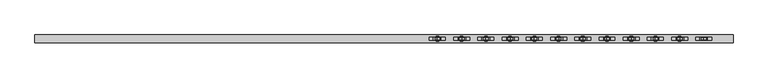
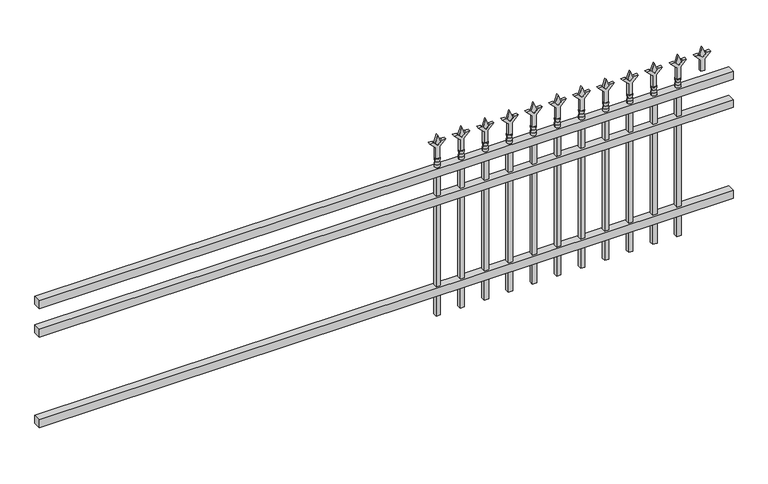
"""IFC4 building model written with IfcOpenShell, lengths in millimetres: railing geometry."""

from ifc_helpers import new_model, si_unit, frame, origin, place, context, project, spatial, polyline, circle_curve, outline, extrude, source, transform, mapped, element, save
from ifc_brep_helpers import plane_surface, cylinder_surface, revolved_surface, advanced_brep


def railing_c02a9c81(model_context):
    return source(origin(), model_context, "Body", "SolidModel", [
        extrude(outline(polyline([(-5522.8050134, 7020.1574518), (-5522.8050134, 7055.0824518), (-2373.2050134, 7055.0824518), (-2373.2050134, 7020.1574518), (-5522.8050134, 7020.1574518)])), frame((0.0, 0.0, 12915.9), z_axis=(0.0, 0.0, 1.0), x_axis=(1.0, 0.0, 0.0)), (0.0, 0.0, 1.0), 38.1),
        extrude(outline(polyline([(-5522.8050134, 7020.1574518), (-5522.8050134, 7055.0824518), (-2373.2050134, 7055.0824518), (-2373.2050134, 7020.1574518), (-5522.8050134, 7020.1574518)])), frame((0.0, 0.0, 12779.375), z_axis=(0.0, 0.0, 1.0), x_axis=(1.0, 0.0, 0.0)), (0.0, 0.0, 1.0), 38.1),
        extrude(outline(polyline([(-5522.8050134, 7020.1574518), (-5522.8050134, 7055.0824518), (-2373.2050134, 7055.0824518), (-2373.2050134, 7020.1574518), (-5522.8050134, 7020.1574518)])), frame((0.0, 0.0, 12344.4), z_axis=(0.0, 0.0, 1.0), x_axis=(1.0, 0.0, 0.0)), (0.0, 0.0, 1.0), 38.1),
        extrude(outline(polyline([(13070.68125, -2602.33418), (13106.4, -2614.24043), (13070.68125, -2626.14668), (13058.775, -2614.24043), (13070.68125, -2602.33418)])), frame((0.0, 7032.8574518, 0.0), z_axis=(0.0, 1.0, 0.0), x_axis=(0.0, 0.0, 1.0)), (0.0, 0.0, 1.0), 9.525),
        extrude(outline(polyline([(12995.275, -2605.50918), (13049.5457378, -2605.50918), (13076.7355122, -2578.3194056), (13076.7355122, -2596.2799178), (13058.775, -2614.24043), (13076.7355122, -2632.2009423), (13076.7355122, -2650.1614545), (13049.5457378, -2622.97168), (12995.275, -2622.97168), (12995.275, -2605.50918)])), frame((0.0, 7031.2699518, 0.0), z_axis=(0.0, 1.0, 0.0), x_axis=(0.0, 0.0, 1.0)), (0.0, 0.0, 1.0), 12.7),
        advanced_brep(
        [(-2602.33418, 7037.6199518, 12966.7), (-2626.14668, 7037.6199518, 12966.7), (-2626.14668, 7037.6199518, 12954.0), (-2602.33418, 7037.6199518, 12954.0), (-2604.5395119, 7037.6199518, 12979.2070585), (-2623.9413482, 7037.6199518, 12979.2070585), (-2602.33418, 7037.6199518, 12995.275), (-2626.14668, 7037.6199518, 12995.275), (-2614.24043, 7037.6199518, 12995.275), (-2614.24043, 7037.6199518, 12954.0)],
        [
            (0, 1, circle_curve(frame((-2614.24043, 7037.6199518, 12966.7), z_axis=(0.0, 0.0, -1.0), x_axis=(-1.0, 0.0, 0.0)), 11.90625)),
            (1, 2),
            (2, 3, circle_curve(frame((-2614.24043, 7037.6199518, 12954.0), z_axis=(0.0, 0.0, 1.0), x_axis=(-1.0, 0.0, 0.0)), 11.90625)),
            (3, 0),
            (1, 0, circle_curve(frame((-2614.24043, 7037.6199518, 12966.7), z_axis=(0.0, 0.0, -1.0), x_axis=(-1.0, 0.0, 0.0)), 11.90625)),
            (3, 2, circle_curve(frame((-2614.24043, 7037.6199518, 12954.0), z_axis=(0.0, 0.0, 1.0), x_axis=(-1.0, 0.0, 0.0)), 11.90625)),
            (4, 5, circle_curve(frame((-2614.24043, 7037.6199518, 12979.2070585), z_axis=(0.0, 0.0, -1.0), x_axis=(-1.0, 0.0, 0.0)), 9.7009181)),
            (5, 1),
            (0, 4),
            (5, 4, circle_curve(frame((-2614.24043, 7037.6199518, 12979.2070585), z_axis=(0.0, 0.0, -1.0), x_axis=(-1.0, 0.0, 0.0)), 9.7009181)),
            (6, 7, circle_curve(frame((-2614.24043, 7037.6199518, 12995.275), z_axis=(0.0, 0.0, -1.0), x_axis=(-1.0, 0.0, 0.0)), 11.90625)),
            (7, 5),
            (4, 6),
            (7, 6, circle_curve(frame((-2614.24043, 7037.6199518, 12995.275), z_axis=(0.0, 0.0, -1.0), x_axis=(-1.0, 0.0, 0.0)), 11.90625)),
            (8, 7),
            (6, 8),
            (2, 9),
            (9, 3),
        ],
        [
            cylinder_surface(frame((-2614.24043, 7037.6199518, 12954.0), z_axis=(0.0, 0.0, 1.0), x_axis=(-1.0, 0.0, 0.0)), 11.90625),
            revolved_surface(polyline([(-2626.14668, 7037.6199518, 12966.7), (-2623.9413482, 7037.6199518, 12979.2070585)]), (-2614.24043, 7037.6199518, 12954.0), (0.0, 0.0, 1.0)),
            revolved_surface(polyline([(-2623.9413482, 7037.6199518, 12979.2070585), (-2626.14668, 7037.6199518, 12995.275)]), (-2614.24043, 7037.6199518, 12954.0), (0.0, 0.0, 1.0)),
            plane_surface(frame((-2614.24043, 7037.6199518, 12995.275), z_axis=(0.0, 0.0, 1.0), x_axis=(-1.0, 0.0, 0.0))),
            plane_surface(frame((-2614.24043, 7037.6199518, 12954.0), z_axis=(0.0, 0.0, -1.0), x_axis=(-1.0, 0.0, 0.0))),
        ],
        [
            (0, [[1, 2, 3, 4]]),
            (0, [[5, -4, 6, -2]]),
            (1, [[7, 8, -1, 9]]),
            (1, [[10, -9, -5, -8]]),
            (2, [[11, 12, -7, 13]]),
            (2, [[14, -13, -10, -12]]),
            (3, [[15, -11, 16]]),
            (3, [[-16, -14, -15]]),
            (4, [[-3, 17, 18]]),
            (4, [[-6, -18, -17]]),
        ],
    ),
        extrude(outline(polyline([(-2623.76543, 7047.1449518), (-2604.71543, 7047.1449518), (-2604.71543, 7028.0949518), (-2623.76543, 7028.0949518), (-2623.76543, 7047.1449518)])), frame((0.0, 0.0, 12242.8), z_axis=(0.0, 0.0, 1.0), x_axis=(1.0, 0.0, 0.0)), (0.0, 0.0, 1.0), 711.2),
        extrude(outline(polyline([(13070.68125, -2711.6070967), (13106.4, -2723.5133467), (13070.68125, -2735.4195967), (13058.775, -2723.5133467), (13070.68125, -2711.6070967)])), frame((0.0, 7032.8574518, 0.0), z_axis=(0.0, 1.0, 0.0), x_axis=(0.0, 0.0, 1.0)), (0.0, 0.0, 1.0), 9.525),
        extrude(outline(polyline([(12995.275, -2714.7820967), (13049.5457378, -2714.7820967), (13076.7355122, -2687.5923222), (13076.7355122, -2705.5528345), (13058.775, -2723.5133467), (13076.7355122, -2741.473859), (13076.7355122, -2759.4343712), (13049.5457378, -2732.2445967), (12995.275, -2732.2445967), (12995.275, -2714.7820967)])), frame((0.0, 7031.2699518, 0.0), z_axis=(0.0, 1.0, 0.0), x_axis=(0.0, 0.0, 1.0)), (0.0, 0.0, 1.0), 12.7),
        advanced_brep(
        [(-2711.6070967, 7037.6199518, 12966.7), (-2735.4195967, 7037.6199518, 12966.7), (-2735.4195967, 7037.6199518, 12954.0), (-2711.6070967, 7037.6199518, 12954.0), (-2713.8124286, 7037.6199518, 12979.2070585), (-2733.2142649, 7037.6199518, 12979.2070585), (-2711.6070967, 7037.6199518, 12995.275), (-2735.4195967, 7037.6199518, 12995.275), (-2723.5133467, 7037.6199518, 12995.275), (-2723.5133467, 7037.6199518, 12954.0)],
        [
            (0, 1, circle_curve(frame((-2723.5133467, 7037.6199518, 12966.7), z_axis=(0.0, 0.0, -1.0), x_axis=(-1.0, 0.0, 0.0)), 11.90625)),
            (1, 2),
            (2, 3, circle_curve(frame((-2723.5133467, 7037.6199518, 12954.0), z_axis=(0.0, 0.0, 1.0), x_axis=(-1.0, 0.0, 0.0)), 11.90625)),
            (3, 0),
            (1, 0, circle_curve(frame((-2723.5133467, 7037.6199518, 12966.7), z_axis=(0.0, 0.0, -1.0), x_axis=(-1.0, 0.0, 0.0)), 11.90625)),
            (3, 2, circle_curve(frame((-2723.5133467, 7037.6199518, 12954.0), z_axis=(0.0, 0.0, 1.0), x_axis=(-1.0, 0.0, 0.0)), 11.90625)),
            (4, 5, circle_curve(frame((-2723.5133467, 7037.6199518, 12979.2070585), z_axis=(0.0, 0.0, -1.0), x_axis=(-1.0, 0.0, 0.0)), 9.7009181)),
            (5, 1),
            (0, 4),
            (5, 4, circle_curve(frame((-2723.5133467, 7037.6199518, 12979.2070585), z_axis=(0.0, 0.0, -1.0), x_axis=(-1.0, 0.0, 0.0)), 9.7009181)),
            (6, 7, circle_curve(frame((-2723.5133467, 7037.6199518, 12995.275), z_axis=(0.0, 0.0, -1.0), x_axis=(-1.0, 0.0, 0.0)), 11.90625)),
            (7, 5),
            (4, 6),
            (7, 6, circle_curve(frame((-2723.5133467, 7037.6199518, 12995.275), z_axis=(0.0, 0.0, -1.0), x_axis=(-1.0, 0.0, 0.0)), 11.90625)),
            (8, 7),
            (6, 8),
            (2, 9),
            (9, 3),
        ],
        [
            cylinder_surface(frame((-2723.5133467, 7037.6199518, 12954.0), z_axis=(0.0, 0.0, 1.0), x_axis=(-1.0, 0.0, 0.0)), 11.90625),
            revolved_surface(polyline([(-2735.4195967, 7037.6199518, 12966.7), (-2733.2142649, 7037.6199518, 12979.2070585)]), (-2723.5133467, 7037.6199518, 12954.0), (0.0, 0.0, 1.0)),
            revolved_surface(polyline([(-2733.2142649, 7037.6199518, 12979.2070585), (-2735.4195967, 7037.6199518, 12995.275)]), (-2723.5133467, 7037.6199518, 12954.0), (0.0, 0.0, 1.0)),
            plane_surface(frame((-2723.5133467, 7037.6199518, 12995.275), z_axis=(0.0, 0.0, 1.0), x_axis=(-1.0, 0.0, 0.0))),
            plane_surface(frame((-2723.5133467, 7037.6199518, 12954.0), z_axis=(0.0, 0.0, -1.0), x_axis=(-1.0, 0.0, 0.0))),
        ],
        [
            (0, [[1, 2, 3, 4]]),
            (0, [[5, -4, 6, -2]]),
            (1, [[7, 8, -1, 9]]),
            (1, [[10, -9, -5, -8]]),
            (2, [[11, 12, -7, 13]]),
            (2, [[14, -13, -10, -12]]),
            (3, [[15, -11, 16]]),
            (3, [[-16, -14, -15]]),
            (4, [[-3, 17, 18]]),
            (4, [[-6, -18, -17]]),
        ],
    ),
        extrude(outline(polyline([(-2733.0383467, 7047.1449518), (-2713.9883467, 7047.1449518), (-2713.9883467, 7028.0949518), (-2733.0383467, 7028.0949518), (-2733.0383467, 7047.1449518)])), frame((0.0, 0.0, 12242.8), z_axis=(0.0, 0.0, 1.0), x_axis=(1.0, 0.0, 0.0)), (0.0, 0.0, 1.0), 711.2),
        extrude(outline(polyline([(13070.68125, -2820.8800134), (13106.4, -2832.7862634), (13070.68125, -2844.6925134), (13058.775, -2832.7862634), (13070.68125, -2820.8800134)])), frame((0.0, 7032.8574518, 0.0), z_axis=(0.0, 1.0, 0.0), x_axis=(0.0, 0.0, 1.0)), (0.0, 0.0, 1.0), 9.525),
        extrude(outline(polyline([(12995.275, -2824.0550134), (13049.5457378, -2824.0550134), (13076.7355122, -2796.8652389), (13076.7355122, -2814.8257511), (13058.775, -2832.7862634), (13076.7355122, -2850.7467756), (13076.7355122, -2868.7072879), (13049.5457378, -2841.5175134), (12995.275, -2841.5175134), (12995.275, -2824.0550134)])), frame((0.0, 7031.2699518, 0.0), z_axis=(0.0, 1.0, 0.0), x_axis=(0.0, 0.0, 1.0)), (0.0, 0.0, 1.0), 12.7),
        advanced_brep(
        [(-2820.8800134, 7037.6199518, 12966.7), (-2844.6925134, 7037.6199518, 12966.7), (-2844.6925134, 7037.6199518, 12954.0), (-2820.8800134, 7037.6199518, 12954.0), (-2823.0853452, 7037.6199518, 12979.2070585), (-2842.4871815, 7037.6199518, 12979.2070585), (-2820.8800134, 7037.6199518, 12995.275), (-2844.6925134, 7037.6199518, 12995.275), (-2832.7862634, 7037.6199518, 12995.275), (-2832.7862634, 7037.6199518, 12954.0)],
        [
            (0, 1, circle_curve(frame((-2832.7862634, 7037.6199518, 12966.7), z_axis=(0.0, 0.0, -1.0), x_axis=(-1.0, 0.0, 0.0)), 11.90625)),
            (1, 2),
            (2, 3, circle_curve(frame((-2832.7862634, 7037.6199518, 12954.0), z_axis=(0.0, 0.0, 1.0), x_axis=(-1.0, 0.0, 0.0)), 11.90625)),
            (3, 0),
            (1, 0, circle_curve(frame((-2832.7862634, 7037.6199518, 12966.7), z_axis=(0.0, 0.0, -1.0), x_axis=(-1.0, 0.0, 0.0)), 11.90625)),
            (3, 2, circle_curve(frame((-2832.7862634, 7037.6199518, 12954.0), z_axis=(0.0, 0.0, 1.0), x_axis=(-1.0, 0.0, 0.0)), 11.90625)),
            (4, 5, circle_curve(frame((-2832.7862634, 7037.6199518, 12979.2070585), z_axis=(0.0, 0.0, -1.0), x_axis=(-1.0, 0.0, 0.0)), 9.7009181)),
            (5, 1),
            (0, 4),
            (5, 4, circle_curve(frame((-2832.7862634, 7037.6199518, 12979.2070585), z_axis=(0.0, 0.0, -1.0), x_axis=(-1.0, 0.0, 0.0)), 9.7009181)),
            (6, 7, circle_curve(frame((-2832.7862634, 7037.6199518, 12995.275), z_axis=(0.0, 0.0, -1.0), x_axis=(-1.0, 0.0, 0.0)), 11.90625)),
            (7, 5),
            (4, 6),
            (7, 6, circle_curve(frame((-2832.7862634, 7037.6199518, 12995.275), z_axis=(0.0, 0.0, -1.0), x_axis=(-1.0, 0.0, 0.0)), 11.90625)),
            (8, 7),
            (6, 8),
            (2, 9),
            (9, 3),
        ],
        [
            cylinder_surface(frame((-2832.7862634, 7037.6199518, 12954.0), z_axis=(0.0, 0.0, 1.0), x_axis=(-1.0, 0.0, 0.0)), 11.90625),
            revolved_surface(polyline([(-2844.6925134, 7037.6199518, 12966.7), (-2842.4871815, 7037.6199518, 12979.2070585)]), (-2832.7862634, 7037.6199518, 12954.0), (0.0, 0.0, 1.0)),
            revolved_surface(polyline([(-2842.4871815, 7037.6199518, 12979.2070585), (-2844.6925134, 7037.6199518, 12995.275)]), (-2832.7862634, 7037.6199518, 12954.0), (0.0, 0.0, 1.0)),
            plane_surface(frame((-2832.7862634, 7037.6199518, 12995.275), z_axis=(0.0, 0.0, 1.0), x_axis=(-1.0, 0.0, 0.0))),
            plane_surface(frame((-2832.7862634, 7037.6199518, 12954.0), z_axis=(0.0, 0.0, -1.0), x_axis=(-1.0, 0.0, 0.0))),
        ],
        [
            (0, [[1, 2, 3, 4]]),
            (0, [[5, -4, 6, -2]]),
            (1, [[7, 8, -1, 9]]),
            (1, [[10, -9, -5, -8]]),
            (2, [[11, 12, -7, 13]]),
            (2, [[14, -13, -10, -12]]),
            (3, [[15, -11, 16]]),
            (3, [[-16, -14, -15]]),
            (4, [[-3, 17, 18]]),
            (4, [[-6, -18, -17]]),
        ],
    ),
        extrude(outline(polyline([(-2842.3112634, 7047.1449518), (-2823.2612634, 7047.1449518), (-2823.2612634, 7028.0949518), (-2842.3112634, 7028.0949518), (-2842.3112634, 7047.1449518)])), frame((0.0, 0.0, 12242.8), z_axis=(0.0, 0.0, 1.0), x_axis=(1.0, 0.0, 0.0)), (0.0, 0.0, 1.0), 711.2),
        extrude(outline(polyline([(13070.68125, -2930.15293), (13106.4, -2942.05918), (13070.68125, -2953.96543), (13058.775, -2942.05918), (13070.68125, -2930.15293)])), frame((0.0, 7032.8574518, 0.0), z_axis=(0.0, 1.0, 0.0), x_axis=(0.0, 0.0, 1.0)), (0.0, 0.0, 1.0), 9.525),
        extrude(outline(polyline([(12995.275, -2933.32793), (13049.5457378, -2933.32793), (13076.7355122, -2906.1381556), (13076.7355122, -2924.0986678), (13058.775, -2942.05918), (13076.7355122, -2960.0196923), (13076.7355122, -2977.9802045), (13049.5457378, -2950.79043), (12995.275, -2950.79043), (12995.275, -2933.32793)])), frame((0.0, 7031.2699518, 0.0), z_axis=(0.0, 1.0, 0.0), x_axis=(0.0, 0.0, 1.0)), (0.0, 0.0, 1.0), 12.7),
        advanced_brep(
        [(-2930.15293, 7037.6199518, 12966.7), (-2953.96543, 7037.6199518, 12966.7), (-2953.96543, 7037.6199518, 12954.0), (-2930.15293, 7037.6199518, 12954.0), (-2932.3582619, 7037.6199518, 12979.2070585), (-2951.7600982, 7037.6199518, 12979.2070585), (-2930.15293, 7037.6199518, 12995.275), (-2953.96543, 7037.6199518, 12995.275), (-2942.05918, 7037.6199518, 12995.275), (-2942.05918, 7037.6199518, 12954.0)],
        [
            (0, 1, circle_curve(frame((-2942.05918, 7037.6199518, 12966.7), z_axis=(0.0, 0.0, -1.0), x_axis=(-1.0, 0.0, 0.0)), 11.90625)),
            (1, 2),
            (2, 3, circle_curve(frame((-2942.05918, 7037.6199518, 12954.0), z_axis=(0.0, 0.0, 1.0), x_axis=(-1.0, 0.0, 0.0)), 11.90625)),
            (3, 0),
            (1, 0, circle_curve(frame((-2942.05918, 7037.6199518, 12966.7), z_axis=(0.0, 0.0, -1.0), x_axis=(-1.0, 0.0, 0.0)), 11.90625)),
            (3, 2, circle_curve(frame((-2942.05918, 7037.6199518, 12954.0), z_axis=(0.0, 0.0, 1.0), x_axis=(-1.0, 0.0, 0.0)), 11.90625)),
            (4, 5, circle_curve(frame((-2942.05918, 7037.6199518, 12979.2070585), z_axis=(0.0, 0.0, -1.0), x_axis=(-1.0, 0.0, 0.0)), 9.7009181)),
            (5, 1),
            (0, 4),
            (5, 4, circle_curve(frame((-2942.05918, 7037.6199518, 12979.2070585), z_axis=(0.0, 0.0, -1.0), x_axis=(-1.0, 0.0, 0.0)), 9.7009181)),
            (6, 7, circle_curve(frame((-2942.05918, 7037.6199518, 12995.275), z_axis=(0.0, 0.0, -1.0), x_axis=(-1.0, 0.0, 0.0)), 11.90625)),
            (7, 5),
            (4, 6),
            (7, 6, circle_curve(frame((-2942.05918, 7037.6199518, 12995.275), z_axis=(0.0, 0.0, -1.0), x_axis=(-1.0, 0.0, 0.0)), 11.90625)),
            (8, 7),
            (6, 8),
            (2, 9),
            (9, 3),
        ],
        [
            cylinder_surface(frame((-2942.05918, 7037.6199518, 12954.0), z_axis=(0.0, 0.0, 1.0), x_axis=(-1.0, 0.0, 0.0)), 11.90625),
            revolved_surface(polyline([(-2953.96543, 7037.6199518, 12966.7), (-2951.7600982, 7037.6199518, 12979.2070585)]), (-2942.05918, 7037.6199518, 12954.0), (0.0, 0.0, 1.0)),
            revolved_surface(polyline([(-2951.7600982, 7037.6199518, 12979.2070585), (-2953.96543, 7037.6199518, 12995.275)]), (-2942.05918, 7037.6199518, 12954.0), (0.0, 0.0, 1.0)),
            plane_surface(frame((-2942.05918, 7037.6199518, 12995.275), z_axis=(0.0, 0.0, 1.0), x_axis=(-1.0, 0.0, 0.0))),
            plane_surface(frame((-2942.05918, 7037.6199518, 12954.0), z_axis=(0.0, 0.0, -1.0), x_axis=(-1.0, 0.0, 0.0))),
        ],
        [
            (0, [[1, 2, 3, 4]]),
            (0, [[5, -4, 6, -2]]),
            (1, [[7, 8, -1, 9]]),
            (1, [[10, -9, -5, -8]]),
            (2, [[11, 12, -7, 13]]),
            (2, [[14, -13, -10, -12]]),
            (3, [[15, -11, 16]]),
            (3, [[-16, -14, -15]]),
            (4, [[-3, 17, 18]]),
            (4, [[-6, -18, -17]]),
        ],
    ),
        extrude(outline(polyline([(-2951.58418, 7047.1449518), (-2932.53418, 7047.1449518), (-2932.53418, 7028.0949518), (-2951.58418, 7028.0949518), (-2951.58418, 7047.1449518)])), frame((0.0, 0.0, 12242.8), z_axis=(0.0, 0.0, 1.0), x_axis=(1.0, 0.0, 0.0)), (0.0, 0.0, 1.0), 711.2),
        extrude(outline(polyline([(13070.68125, -3039.4258467), (13106.4, -3051.3320967), (13070.68125, -3063.2383467), (13058.775, -3051.3320967), (13070.68125, -3039.4258467)])), frame((0.0, 7032.8574518, 0.0), z_axis=(0.0, 1.0, 0.0), x_axis=(0.0, 0.0, 1.0)), (0.0, 0.0, 1.0), 9.525),
        extrude(outline(polyline([(12995.275, -3042.6008467), (13049.5457378, -3042.6008467), (13076.7355122, -3015.4110722), (13076.7355122, -3033.3715845), (13058.775, -3051.3320967), (13076.7355122, -3069.292609), (13076.7355122, -3087.2531212), (13049.5457378, -3060.0633467), (12995.275, -3060.0633467), (12995.275, -3042.6008467)])), frame((0.0, 7031.2699518, 0.0), z_axis=(0.0, 1.0, 0.0), x_axis=(0.0, 0.0, 1.0)), (0.0, 0.0, 1.0), 12.7),
        advanced_brep(
        [(-3039.4258467, 7037.6199518, 12966.7), (-3063.2383467, 7037.6199518, 12966.7), (-3063.2383467, 7037.6199518, 12954.0), (-3039.4258467, 7037.6199518, 12954.0), (-3041.6311786, 7037.6199518, 12979.2070585), (-3061.0330149, 7037.6199518, 12979.2070585), (-3039.4258467, 7037.6199518, 12995.275), (-3063.2383467, 7037.6199518, 12995.275), (-3051.3320967, 7037.6199518, 12995.275), (-3051.3320967, 7037.6199518, 12954.0)],
        [
            (0, 1, circle_curve(frame((-3051.3320967, 7037.6199518, 12966.7), z_axis=(0.0, 0.0, -1.0), x_axis=(-1.0, 0.0, 0.0)), 11.90625)),
            (1, 2),
            (2, 3, circle_curve(frame((-3051.3320967, 7037.6199518, 12954.0), z_axis=(0.0, 0.0, 1.0), x_axis=(-1.0, 0.0, 0.0)), 11.90625)),
            (3, 0),
            (1, 0, circle_curve(frame((-3051.3320967, 7037.6199518, 12966.7), z_axis=(0.0, 0.0, -1.0), x_axis=(-1.0, 0.0, 0.0)), 11.90625)),
            (3, 2, circle_curve(frame((-3051.3320967, 7037.6199518, 12954.0), z_axis=(0.0, 0.0, 1.0), x_axis=(-1.0, 0.0, 0.0)), 11.90625)),
            (4, 5, circle_curve(frame((-3051.3320967, 7037.6199518, 12979.2070585), z_axis=(0.0, 0.0, -1.0), x_axis=(-1.0, 0.0, 0.0)), 9.7009181)),
            (5, 1),
            (0, 4),
            (5, 4, circle_curve(frame((-3051.3320967, 7037.6199518, 12979.2070585), z_axis=(0.0, 0.0, -1.0), x_axis=(-1.0, 0.0, 0.0)), 9.7009181)),
            (6, 7, circle_curve(frame((-3051.3320967, 7037.6199518, 12995.275), z_axis=(0.0, 0.0, -1.0), x_axis=(-1.0, 0.0, 0.0)), 11.90625)),
            (7, 5),
            (4, 6),
            (7, 6, circle_curve(frame((-3051.3320967, 7037.6199518, 12995.275), z_axis=(0.0, 0.0, -1.0), x_axis=(-1.0, 0.0, 0.0)), 11.90625)),
            (8, 7),
            (6, 8),
            (2, 9),
            (9, 3),
        ],
        [
            cylinder_surface(frame((-3051.3320967, 7037.6199518, 12954.0), z_axis=(0.0, 0.0, 1.0), x_axis=(-1.0, 0.0, 0.0)), 11.90625),
            revolved_surface(polyline([(-3063.2383467, 7037.6199518, 12966.7), (-3061.0330149, 7037.6199518, 12979.2070585)]), (-3051.3320967, 7037.6199518, 12954.0), (0.0, 0.0, 1.0)),
            revolved_surface(polyline([(-3061.0330149, 7037.6199518, 12979.2070585), (-3063.2383467, 7037.6199518, 12995.275)]), (-3051.3320967, 7037.6199518, 12954.0), (0.0, 0.0, 1.0)),
            plane_surface(frame((-3051.3320967, 7037.6199518, 12995.275), z_axis=(0.0, 0.0, 1.0), x_axis=(-1.0, 0.0, 0.0))),
            plane_surface(frame((-3051.3320967, 7037.6199518, 12954.0), z_axis=(0.0, 0.0, -1.0), x_axis=(-1.0, 0.0, 0.0))),
        ],
        [
            (0, [[1, 2, 3, 4]]),
            (0, [[5, -4, 6, -2]]),
            (1, [[7, 8, -1, 9]]),
            (1, [[10, -9, -5, -8]]),
            (2, [[11, 12, -7, 13]]),
            (2, [[14, -13, -10, -12]]),
            (3, [[15, -11, 16]]),
            (3, [[-16, -14, -15]]),
            (4, [[-3, 17, 18]]),
            (4, [[-6, -18, -17]]),
        ],
    ),
        extrude(outline(polyline([(-3060.8570967, 7047.1449518), (-3041.8070967, 7047.1449518), (-3041.8070967, 7028.0949518), (-3060.8570967, 7028.0949518), (-3060.8570967, 7047.1449518)])), frame((0.0, 0.0, 12242.8), z_axis=(0.0, 0.0, 1.0), x_axis=(1.0, 0.0, 0.0)), (0.0, 0.0, 1.0), 711.2),
        extrude(outline(polyline([(13070.68125, -3148.6987634), (13106.4, -3160.6050134), (13070.68125, -3172.5112634), (13058.775, -3160.6050134), (13070.68125, -3148.6987634)])), frame((0.0, 7032.8574518, 0.0), z_axis=(0.0, 1.0, 0.0), x_axis=(0.0, 0.0, 1.0)), (0.0, 0.0, 1.0), 9.525),
        extrude(outline(polyline([(12995.275, -3151.8737634), (13049.5457378, -3151.8737634), (13076.7355122, -3124.6839889), (13076.7355122, -3142.6445011), (13058.775, -3160.6050134), (13076.7355122, -3178.5655256), (13076.7355122, -3196.5260379), (13049.5457378, -3169.3362634), (12995.275, -3169.3362634), (12995.275, -3151.8737634)])), frame((0.0, 7031.2699518, 0.0), z_axis=(0.0, 1.0, 0.0), x_axis=(0.0, 0.0, 1.0)), (0.0, 0.0, 1.0), 12.7),
        advanced_brep(
        [(-3148.6987634, 7037.6199518, 12966.7), (-3172.5112634, 7037.6199518, 12966.7), (-3172.5112634, 7037.6199518, 12954.0), (-3148.6987634, 7037.6199518, 12954.0), (-3150.9040952, 7037.6199518, 12979.2070585), (-3170.3059315, 7037.6199518, 12979.2070585), (-3148.6987634, 7037.6199518, 12995.275), (-3172.5112634, 7037.6199518, 12995.275), (-3160.6050134, 7037.6199518, 12995.275), (-3160.6050134, 7037.6199518, 12954.0)],
        [
            (0, 1, circle_curve(frame((-3160.6050134, 7037.6199518, 12966.7), z_axis=(0.0, 0.0, -1.0), x_axis=(-1.0, 0.0, 0.0)), 11.90625)),
            (1, 2),
            (2, 3, circle_curve(frame((-3160.6050134, 7037.6199518, 12954.0), z_axis=(0.0, 0.0, 1.0), x_axis=(-1.0, 0.0, 0.0)), 11.90625)),
            (3, 0),
            (1, 0, circle_curve(frame((-3160.6050134, 7037.6199518, 12966.7), z_axis=(0.0, 0.0, -1.0), x_axis=(-1.0, 0.0, 0.0)), 11.90625)),
            (3, 2, circle_curve(frame((-3160.6050134, 7037.6199518, 12954.0), z_axis=(0.0, 0.0, 1.0), x_axis=(-1.0, 0.0, 0.0)), 11.90625)),
            (4, 5, circle_curve(frame((-3160.6050134, 7037.6199518, 12979.2070585), z_axis=(0.0, 0.0, -1.0), x_axis=(-1.0, 0.0, 0.0)), 9.7009181)),
            (5, 1),
            (0, 4),
            (5, 4, circle_curve(frame((-3160.6050134, 7037.6199518, 12979.2070585), z_axis=(0.0, 0.0, -1.0), x_axis=(-1.0, 0.0, 0.0)), 9.7009181)),
            (6, 7, circle_curve(frame((-3160.6050134, 7037.6199518, 12995.275), z_axis=(0.0, 0.0, -1.0), x_axis=(-1.0, 0.0, 0.0)), 11.90625)),
            (7, 5),
            (4, 6),
            (7, 6, circle_curve(frame((-3160.6050134, 7037.6199518, 12995.275), z_axis=(0.0, 0.0, -1.0), x_axis=(-1.0, 0.0, 0.0)), 11.90625)),
            (8, 7),
            (6, 8),
            (2, 9),
            (9, 3),
        ],
        [
            cylinder_surface(frame((-3160.6050134, 7037.6199518, 12954.0), z_axis=(0.0, 0.0, 1.0), x_axis=(-1.0, 0.0, 0.0)), 11.90625),
            revolved_surface(polyline([(-3172.5112634, 7037.6199518, 12966.7), (-3170.3059315, 7037.6199518, 12979.2070585)]), (-3160.6050134, 7037.6199518, 12954.0), (0.0, 0.0, 1.0)),
            revolved_surface(polyline([(-3170.3059315, 7037.6199518, 12979.2070585), (-3172.5112634, 7037.6199518, 12995.275)]), (-3160.6050134, 7037.6199518, 12954.0), (0.0, 0.0, 1.0)),
            plane_surface(frame((-3160.6050134, 7037.6199518, 12995.275), z_axis=(0.0, 0.0, 1.0), x_axis=(-1.0, 0.0, 0.0))),
            plane_surface(frame((-3160.6050134, 7037.6199518, 12954.0), z_axis=(0.0, 0.0, -1.0), x_axis=(-1.0, 0.0, 0.0))),
        ],
        [
            (0, [[1, 2, 3, 4]]),
            (0, [[5, -4, 6, -2]]),
            (1, [[7, 8, -1, 9]]),
            (1, [[10, -9, -5, -8]]),
            (2, [[11, 12, -7, 13]]),
            (2, [[14, -13, -10, -12]]),
            (3, [[15, -11, 16]]),
            (3, [[-16, -14, -15]]),
            (4, [[-3, 17, 18]]),
            (4, [[-6, -18, -17]]),
        ],
    ),
        extrude(outline(polyline([(-3170.1300134, 7047.1449518), (-3151.0800134, 7047.1449518), (-3151.0800134, 7028.0949518), (-3170.1300134, 7028.0949518), (-3170.1300134, 7047.1449518)])), frame((0.0, 0.0, 12242.8), z_axis=(0.0, 0.0, 1.0), x_axis=(1.0, 0.0, 0.0)), (0.0, 0.0, 1.0), 711.2),
        extrude(outline(polyline([(13070.68125, -3257.97168), (13106.4, -3269.87793), (13070.68125, -3281.78418), (13058.775, -3269.87793), (13070.68125, -3257.97168)])), frame((0.0, 7032.8574518, 0.0), z_axis=(0.0, 1.0, 0.0), x_axis=(0.0, 0.0, 1.0)), (0.0, 0.0, 1.0), 9.525),
        extrude(outline(polyline([(12995.275, -3261.14668), (13049.5457378, -3261.14668), (13076.7355122, -3233.9569056), (13076.7355122, -3251.9174178), (13058.775, -3269.87793), (13076.7355122, -3287.8384423), (13076.7355122, -3305.7989545), (13049.5457378, -3278.60918), (12995.275, -3278.60918), (12995.275, -3261.14668)])), frame((0.0, 7031.2699518, 0.0), z_axis=(0.0, 1.0, 0.0), x_axis=(0.0, 0.0, 1.0)), (0.0, 0.0, 1.0), 12.7),
        advanced_brep(
        [(-3257.97168, 7037.6199518, 12966.7), (-3281.78418, 7037.6199518, 12966.7), (-3281.78418, 7037.6199518, 12954.0), (-3257.97168, 7037.6199518, 12954.0), (-3260.1770119, 7037.6199518, 12979.2070585), (-3279.5788482, 7037.6199518, 12979.2070585), (-3257.97168, 7037.6199518, 12995.275), (-3281.78418, 7037.6199518, 12995.275), (-3269.87793, 7037.6199518, 12995.275), (-3269.87793, 7037.6199518, 12954.0)],
        [
            (0, 1, circle_curve(frame((-3269.87793, 7037.6199518, 12966.7), z_axis=(0.0, 0.0, -1.0), x_axis=(-1.0, 0.0, 0.0)), 11.90625)),
            (1, 2),
            (2, 3, circle_curve(frame((-3269.87793, 7037.6199518, 12954.0), z_axis=(0.0, 0.0, 1.0), x_axis=(-1.0, 0.0, 0.0)), 11.90625)),
            (3, 0),
            (1, 0, circle_curve(frame((-3269.87793, 7037.6199518, 12966.7), z_axis=(0.0, 0.0, -1.0), x_axis=(-1.0, 0.0, 0.0)), 11.90625)),
            (3, 2, circle_curve(frame((-3269.87793, 7037.6199518, 12954.0), z_axis=(0.0, 0.0, 1.0), x_axis=(-1.0, 0.0, 0.0)), 11.90625)),
            (4, 5, circle_curve(frame((-3269.87793, 7037.6199518, 12979.2070585), z_axis=(0.0, 0.0, -1.0), x_axis=(-1.0, 0.0, 0.0)), 9.7009181)),
            (5, 1),
            (0, 4),
            (5, 4, circle_curve(frame((-3269.87793, 7037.6199518, 12979.2070585), z_axis=(0.0, 0.0, -1.0), x_axis=(-1.0, 0.0, 0.0)), 9.7009181)),
            (6, 7, circle_curve(frame((-3269.87793, 7037.6199518, 12995.275), z_axis=(0.0, 0.0, -1.0), x_axis=(-1.0, 0.0, 0.0)), 11.90625)),
            (7, 5),
            (4, 6),
            (7, 6, circle_curve(frame((-3269.87793, 7037.6199518, 12995.275), z_axis=(0.0, 0.0, -1.0), x_axis=(-1.0, 0.0, 0.0)), 11.90625)),
            (8, 7),
            (6, 8),
            (2, 9),
            (9, 3),
        ],
        [
            cylinder_surface(frame((-3269.87793, 7037.6199518, 12954.0), z_axis=(0.0, 0.0, 1.0), x_axis=(-1.0, 0.0, 0.0)), 11.90625),
            revolved_surface(polyline([(-3281.78418, 7037.6199518, 12966.7), (-3279.5788482, 7037.6199518, 12979.2070585)]), (-3269.87793, 7037.6199518, 12954.0), (0.0, 0.0, 1.0)),
            revolved_surface(polyline([(-3279.5788482, 7037.6199518, 12979.2070585), (-3281.78418, 7037.6199518, 12995.275)]), (-3269.87793, 7037.6199518, 12954.0), (0.0, 0.0, 1.0)),
            plane_surface(frame((-3269.87793, 7037.6199518, 12995.275), z_axis=(0.0, 0.0, 1.0), x_axis=(-1.0, 0.0, 0.0))),
            plane_surface(frame((-3269.87793, 7037.6199518, 12954.0), z_axis=(0.0, 0.0, -1.0), x_axis=(-1.0, 0.0, 0.0))),
        ],
        [
            (0, [[1, 2, 3, 4]]),
            (0, [[5, -4, 6, -2]]),
            (1, [[7, 8, -1, 9]]),
            (1, [[10, -9, -5, -8]]),
            (2, [[11, 12, -7, 13]]),
            (2, [[14, -13, -10, -12]]),
            (3, [[15, -11, 16]]),
            (3, [[-16, -14, -15]]),
            (4, [[-3, 17, 18]]),
            (4, [[-6, -18, -17]]),
        ],
    ),
        extrude(outline(polyline([(-3279.40293, 7047.1449518), (-3260.35293, 7047.1449518), (-3260.35293, 7028.0949518), (-3279.40293, 7028.0949518), (-3279.40293, 7047.1449518)])), frame((0.0, 0.0, 12242.8), z_axis=(0.0, 0.0, 1.0), x_axis=(1.0, 0.0, 0.0)), (0.0, 0.0, 1.0), 711.2),
        extrude(outline(polyline([(13070.68125, -3367.2445967), (13106.4, -3379.1508467), (13070.68125, -3391.0570967), (13058.775, -3379.1508467), (13070.68125, -3367.2445967)])), frame((0.0, 7032.8574518, 0.0), z_axis=(0.0, 1.0, 0.0), x_axis=(0.0, 0.0, 1.0)), (0.0, 0.0, 1.0), 9.525),
        extrude(outline(polyline([(12995.275, -3370.4195967), (13049.5457378, -3370.4195967), (13076.7355122, -3343.2298222), (13076.7355122, -3361.1903345), (13058.775, -3379.1508467), (13076.7355122, -3397.111359), (13076.7355122, -3415.0718712), (13049.5457378, -3387.8820967), (12995.275, -3387.8820967), (12995.275, -3370.4195967)])), frame((0.0, 7031.2699518, 0.0), z_axis=(0.0, 1.0, 0.0), x_axis=(0.0, 0.0, 1.0)), (0.0, 0.0, 1.0), 12.7),
        advanced_brep(
        [(-3367.2445967, 7037.6199518, 12966.7), (-3391.0570967, 7037.6199518, 12966.7), (-3391.0570967, 7037.6199518, 12954.0), (-3367.2445967, 7037.6199518, 12954.0), (-3369.4499286, 7037.6199518, 12979.2070585), (-3388.8517649, 7037.6199518, 12979.2070585), (-3367.2445967, 7037.6199518, 12995.275), (-3391.0570967, 7037.6199518, 12995.275), (-3379.1508467, 7037.6199518, 12995.275), (-3379.1508467, 7037.6199518, 12954.0)],
        [
            (0, 1, circle_curve(frame((-3379.1508467, 7037.6199518, 12966.7), z_axis=(0.0, 0.0, -1.0), x_axis=(-1.0, 0.0, 0.0)), 11.90625)),
            (1, 2),
            (2, 3, circle_curve(frame((-3379.1508467, 7037.6199518, 12954.0), z_axis=(0.0, 0.0, 1.0), x_axis=(-1.0, 0.0, 0.0)), 11.90625)),
            (3, 0),
            (1, 0, circle_curve(frame((-3379.1508467, 7037.6199518, 12966.7), z_axis=(0.0, 0.0, -1.0), x_axis=(-1.0, 0.0, 0.0)), 11.90625)),
            (3, 2, circle_curve(frame((-3379.1508467, 7037.6199518, 12954.0), z_axis=(0.0, 0.0, 1.0), x_axis=(-1.0, 0.0, 0.0)), 11.90625)),
            (4, 5, circle_curve(frame((-3379.1508467, 7037.6199518, 12979.2070585), z_axis=(0.0, 0.0, -1.0), x_axis=(-1.0, 0.0, 0.0)), 9.7009181)),
            (5, 1),
            (0, 4),
            (5, 4, circle_curve(frame((-3379.1508467, 7037.6199518, 12979.2070585), z_axis=(0.0, 0.0, -1.0), x_axis=(-1.0, 0.0, 0.0)), 9.7009181)),
            (6, 7, circle_curve(frame((-3379.1508467, 7037.6199518, 12995.275), z_axis=(0.0, 0.0, -1.0), x_axis=(-1.0, 0.0, 0.0)), 11.90625)),
            (7, 5),
            (4, 6),
            (7, 6, circle_curve(frame((-3379.1508467, 7037.6199518, 12995.275), z_axis=(0.0, 0.0, -1.0), x_axis=(-1.0, 0.0, 0.0)), 11.90625)),
            (8, 7),
            (6, 8),
            (2, 9),
            (9, 3),
        ],
        [
            cylinder_surface(frame((-3379.1508467, 7037.6199518, 12954.0), z_axis=(0.0, 0.0, 1.0), x_axis=(-1.0, 0.0, 0.0)), 11.90625),
            revolved_surface(polyline([(-3391.0570967, 7037.6199518, 12966.7), (-3388.8517649, 7037.6199518, 12979.2070585)]), (-3379.1508467, 7037.6199518, 12954.0), (0.0, 0.0, 1.0)),
            revolved_surface(polyline([(-3388.8517649, 7037.6199518, 12979.2070585), (-3391.0570967, 7037.6199518, 12995.275)]), (-3379.1508467, 7037.6199518, 12954.0), (0.0, 0.0, 1.0)),
            plane_surface(frame((-3379.1508467, 7037.6199518, 12995.275), z_axis=(0.0, 0.0, 1.0), x_axis=(-1.0, 0.0, 0.0))),
            plane_surface(frame((-3379.1508467, 7037.6199518, 12954.0), z_axis=(0.0, 0.0, -1.0), x_axis=(-1.0, 0.0, 0.0))),
        ],
        [
            (0, [[1, 2, 3, 4]]),
            (0, [[5, -4, 6, -2]]),
            (1, [[7, 8, -1, 9]]),
            (1, [[10, -9, -5, -8]]),
            (2, [[11, 12, -7, 13]]),
            (2, [[14, -13, -10, -12]]),
            (3, [[15, -11, 16]]),
            (3, [[-16, -14, -15]]),
            (4, [[-3, 17, 18]]),
            (4, [[-6, -18, -17]]),
        ],
    ),
        extrude(outline(polyline([(-3388.6758467, 7047.1449518), (-3369.6258467, 7047.1449518), (-3369.6258467, 7028.0949518), (-3388.6758467, 7028.0949518), (-3388.6758467, 7047.1449518)])), frame((0.0, 0.0, 12242.8), z_axis=(0.0, 0.0, 1.0), x_axis=(1.0, 0.0, 0.0)), (0.0, 0.0, 1.0), 711.2),
        extrude(outline(polyline([(13070.68125, -3476.5175134), (13106.4, -3488.4237634), (13070.68125, -3500.3300134), (13058.775, -3488.4237634), (13070.68125, -3476.5175134)])), frame((0.0, 7032.8574518, 0.0), z_axis=(0.0, 1.0, 0.0), x_axis=(0.0, 0.0, 1.0)), (0.0, 0.0, 1.0), 9.525),
        extrude(outline(polyline([(12995.275, -3479.6925134), (13049.5457378, -3479.6925134), (13076.7355122, -3452.5027389), (13076.7355122, -3470.4632511), (13058.775, -3488.4237634), (13076.7355122, -3506.3842756), (13076.7355122, -3524.3447879), (13049.5457378, -3497.1550134), (12995.275, -3497.1550134), (12995.275, -3479.6925134)])), frame((0.0, 7031.2699518, 0.0), z_axis=(0.0, 1.0, 0.0), x_axis=(0.0, 0.0, 1.0)), (0.0, 0.0, 1.0), 12.7),
        advanced_brep(
        [(-3476.5175134, 7037.6199518, 12966.7), (-3500.3300134, 7037.6199518, 12966.7), (-3500.3300134, 7037.6199518, 12954.0), (-3476.5175134, 7037.6199518, 12954.0), (-3478.7228452, 7037.6199518, 12979.2070585), (-3498.1246815, 7037.6199518, 12979.2070585), (-3476.5175134, 7037.6199518, 12995.275), (-3500.3300134, 7037.6199518, 12995.275), (-3488.4237634, 7037.6199518, 12995.275), (-3488.4237634, 7037.6199518, 12954.0)],
        [
            (0, 1, circle_curve(frame((-3488.4237634, 7037.6199518, 12966.7), z_axis=(0.0, 0.0, -1.0), x_axis=(-1.0, 0.0, 0.0)), 11.90625)),
            (1, 2),
            (2, 3, circle_curve(frame((-3488.4237634, 7037.6199518, 12954.0), z_axis=(0.0, 0.0, 1.0), x_axis=(-1.0, 0.0, 0.0)), 11.90625)),
            (3, 0),
            (1, 0, circle_curve(frame((-3488.4237634, 7037.6199518, 12966.7), z_axis=(0.0, 0.0, -1.0), x_axis=(-1.0, 0.0, 0.0)), 11.90625)),
            (3, 2, circle_curve(frame((-3488.4237634, 7037.6199518, 12954.0), z_axis=(0.0, 0.0, 1.0), x_axis=(-1.0, 0.0, 0.0)), 11.90625)),
            (4, 5, circle_curve(frame((-3488.4237634, 7037.6199518, 12979.2070585), z_axis=(0.0, 0.0, -1.0), x_axis=(-1.0, 0.0, 0.0)), 9.7009181)),
            (5, 1),
            (0, 4),
            (5, 4, circle_curve(frame((-3488.4237634, 7037.6199518, 12979.2070585), z_axis=(0.0, 0.0, -1.0), x_axis=(-1.0, 0.0, 0.0)), 9.7009181)),
            (6, 7, circle_curve(frame((-3488.4237634, 7037.6199518, 12995.275), z_axis=(0.0, 0.0, -1.0), x_axis=(-1.0, 0.0, 0.0)), 11.90625)),
            (7, 5),
            (4, 6),
            (7, 6, circle_curve(frame((-3488.4237634, 7037.6199518, 12995.275), z_axis=(0.0, 0.0, -1.0), x_axis=(-1.0, 0.0, 0.0)), 11.90625)),
            (8, 7),
            (6, 8),
            (2, 9),
            (9, 3),
        ],
        [
            cylinder_surface(frame((-3488.4237634, 7037.6199518, 12954.0), z_axis=(0.0, 0.0, 1.0), x_axis=(-1.0, 0.0, 0.0)), 11.90625),
            revolved_surface(polyline([(-3500.3300134, 7037.6199518, 12966.7), (-3498.1246815, 7037.6199518, 12979.2070585)]), (-3488.4237634, 7037.6199518, 12954.0), (0.0, 0.0, 1.0)),
            revolved_surface(polyline([(-3498.1246815, 7037.6199518, 12979.2070585), (-3500.3300134, 7037.6199518, 12995.275)]), (-3488.4237634, 7037.6199518, 12954.0), (0.0, 0.0, 1.0)),
            plane_surface(frame((-3488.4237634, 7037.6199518, 12995.275), z_axis=(0.0, 0.0, 1.0), x_axis=(-1.0, 0.0, 0.0))),
            plane_surface(frame((-3488.4237634, 7037.6199518, 12954.0), z_axis=(0.0, 0.0, -1.0), x_axis=(-1.0, 0.0, 0.0))),
        ],
        [
            (0, [[1, 2, 3, 4]]),
            (0, [[5, -4, 6, -2]]),
            (1, [[7, 8, -1, 9]]),
            (1, [[10, -9, -5, -8]]),
            (2, [[11, 12, -7, 13]]),
            (2, [[14, -13, -10, -12]]),
            (3, [[15, -11, 16]]),
            (3, [[-16, -14, -15]]),
            (4, [[-3, 17, 18]]),
            (4, [[-6, -18, -17]]),
        ],
    ),
        extrude(outline(polyline([(-3497.9487634, 7047.1449518), (-3478.8987634, 7047.1449518), (-3478.8987634, 7028.0949518), (-3497.9487634, 7028.0949518), (-3497.9487634, 7047.1449518)])), frame((0.0, 0.0, 12242.8), z_axis=(0.0, 0.0, 1.0), x_axis=(1.0, 0.0, 0.0)), (0.0, 0.0, 1.0), 711.2),
        extrude(outline(polyline([(13070.68125, -3585.79043), (13106.4, -3597.69668), (13070.68125, -3609.60293), (13058.775, -3597.69668), (13070.68125, -3585.79043)])), frame((0.0, 7032.8574518, 0.0), z_axis=(0.0, 1.0, 0.0), x_axis=(0.0, 0.0, 1.0)), (0.0, 0.0, 1.0), 9.525),
        extrude(outline(polyline([(12995.275, -3588.96543), (13049.5457378, -3588.96543), (13076.7355122, -3561.7756556), (13076.7355122, -3579.7361678), (13058.775, -3597.69668), (13076.7355122, -3615.6571923), (13076.7355122, -3633.6177045), (13049.5457378, -3606.42793), (12995.275, -3606.42793), (12995.275, -3588.96543)])), frame((0.0, 7031.2699518, 0.0), z_axis=(0.0, 1.0, 0.0), x_axis=(0.0, 0.0, 1.0)), (0.0, 0.0, 1.0), 12.7),
        advanced_brep(
        [(-3585.79043, 7037.6199518, 12966.7), (-3609.60293, 7037.6199518, 12966.7), (-3609.60293, 7037.6199518, 12954.0), (-3585.79043, 7037.6199518, 12954.0), (-3587.9957619, 7037.6199518, 12979.2070585), (-3607.3975982, 7037.6199518, 12979.2070585), (-3585.79043, 7037.6199518, 12995.275), (-3609.60293, 7037.6199518, 12995.275), (-3597.69668, 7037.6199518, 12995.275), (-3597.69668, 7037.6199518, 12954.0)],
        [
            (0, 1, circle_curve(frame((-3597.69668, 7037.6199518, 12966.7), z_axis=(0.0, 0.0, -1.0), x_axis=(-1.0, 0.0, 0.0)), 11.90625)),
            (1, 2),
            (2, 3, circle_curve(frame((-3597.69668, 7037.6199518, 12954.0), z_axis=(0.0, 0.0, 1.0), x_axis=(-1.0, 0.0, 0.0)), 11.90625)),
            (3, 0),
            (1, 0, circle_curve(frame((-3597.69668, 7037.6199518, 12966.7), z_axis=(0.0, 0.0, -1.0), x_axis=(-1.0, 0.0, 0.0)), 11.90625)),
            (3, 2, circle_curve(frame((-3597.69668, 7037.6199518, 12954.0), z_axis=(0.0, 0.0, 1.0), x_axis=(-1.0, 0.0, 0.0)), 11.90625)),
            (4, 5, circle_curve(frame((-3597.69668, 7037.6199518, 12979.2070585), z_axis=(0.0, 0.0, -1.0), x_axis=(-1.0, 0.0, 0.0)), 9.7009181)),
            (5, 1),
            (0, 4),
            (5, 4, circle_curve(frame((-3597.69668, 7037.6199518, 12979.2070585), z_axis=(0.0, 0.0, -1.0), x_axis=(-1.0, 0.0, 0.0)), 9.7009181)),
            (6, 7, circle_curve(frame((-3597.69668, 7037.6199518, 12995.275), z_axis=(0.0, 0.0, -1.0), x_axis=(-1.0, 0.0, 0.0)), 11.90625)),
            (7, 5),
            (4, 6),
            (7, 6, circle_curve(frame((-3597.69668, 7037.6199518, 12995.275), z_axis=(0.0, 0.0, -1.0), x_axis=(-1.0, 0.0, 0.0)), 11.90625)),
            (8, 7),
            (6, 8),
            (2, 9),
            (9, 3),
        ],
        [
            cylinder_surface(frame((-3597.69668, 7037.6199518, 12954.0), z_axis=(0.0, 0.0, 1.0), x_axis=(-1.0, 0.0, 0.0)), 11.90625),
            revolved_surface(polyline([(-3609.60293, 7037.6199518, 12966.7), (-3607.3975982, 7037.6199518, 12979.2070585)]), (-3597.69668, 7037.6199518, 12954.0), (0.0, 0.0, 1.0)),
            revolved_surface(polyline([(-3607.3975982, 7037.6199518, 12979.2070585), (-3609.60293, 7037.6199518, 12995.275)]), (-3597.69668, 7037.6199518, 12954.0), (0.0, 0.0, 1.0)),
            plane_surface(frame((-3597.69668, 7037.6199518, 12995.275), z_axis=(0.0, 0.0, 1.0), x_axis=(-1.0, 0.0, 0.0))),
            plane_surface(frame((-3597.69668, 7037.6199518, 12954.0), z_axis=(0.0, 0.0, -1.0), x_axis=(-1.0, 0.0, 0.0))),
        ],
        [
            (0, [[1, 2, 3, 4]]),
            (0, [[5, -4, 6, -2]]),
            (1, [[7, 8, -1, 9]]),
            (1, [[10, -9, -5, -8]]),
            (2, [[11, 12, -7, 13]]),
            (2, [[14, -13, -10, -12]]),
            (3, [[15, -11, 16]]),
            (3, [[-16, -14, -15]]),
            (4, [[-3, 17, 18]]),
            (4, [[-6, -18, -17]]),
        ],
    ),
        extrude(outline(polyline([(-3607.22168, 7047.1449518), (-3588.17168, 7047.1449518), (-3588.17168, 7028.0949518), (-3607.22168, 7028.0949518), (-3607.22168, 7047.1449518)])), frame((0.0, 0.0, 12242.8), z_axis=(0.0, 0.0, 1.0), x_axis=(1.0, 0.0, 0.0)), (0.0, 0.0, 1.0), 711.2),
        extrude(outline(polyline([(13070.68125, -3695.0633467), (13106.4, -3706.9695967), (13070.68125, -3718.8758467), (13058.775, -3706.9695967), (13070.68125, -3695.0633467)])), frame((0.0, 7032.8574518, 0.0), z_axis=(0.0, 1.0, 0.0), x_axis=(0.0, 0.0, 1.0)), (0.0, 0.0, 1.0), 9.525),
        extrude(outline(polyline([(12995.275, -3698.2383467), (13049.5457378, -3698.2383467), (13076.7355122, -3671.0485722), (13076.7355122, -3689.0090845), (13058.775, -3706.9695967), (13076.7355122, -3724.930109), (13076.7355122, -3742.8906212), (13049.5457378, -3715.7008467), (12995.275, -3715.7008467), (12995.275, -3698.2383467)])), frame((0.0, 7031.2699518, 0.0), z_axis=(0.0, 1.0, 0.0), x_axis=(0.0, 0.0, 1.0)), (0.0, 0.0, 1.0), 12.7),
        advanced_brep(
        [(-3695.0633467, 7037.6199518, 12966.7), (-3718.8758467, 7037.6199518, 12966.7), (-3718.8758467, 7037.6199518, 12954.0), (-3695.0633467, 7037.6199518, 12954.0), (-3697.2686786, 7037.6199518, 12979.2070585), (-3716.6705149, 7037.6199518, 12979.2070585), (-3695.0633467, 7037.6199518, 12995.275), (-3718.8758467, 7037.6199518, 12995.275), (-3706.9695967, 7037.6199518, 12995.275), (-3706.9695967, 7037.6199518, 12954.0)],
        [
            (0, 1, circle_curve(frame((-3706.9695967, 7037.6199518, 12966.7), z_axis=(0.0, 0.0, -1.0), x_axis=(-1.0, 0.0, 0.0)), 11.90625)),
            (1, 2),
            (2, 3, circle_curve(frame((-3706.9695967, 7037.6199518, 12954.0), z_axis=(0.0, 0.0, 1.0), x_axis=(-1.0, 0.0, 0.0)), 11.90625)),
            (3, 0),
            (1, 0, circle_curve(frame((-3706.9695967, 7037.6199518, 12966.7), z_axis=(0.0, 0.0, -1.0), x_axis=(-1.0, 0.0, 0.0)), 11.90625)),
            (3, 2, circle_curve(frame((-3706.9695967, 7037.6199518, 12954.0), z_axis=(0.0, 0.0, 1.0), x_axis=(-1.0, 0.0, 0.0)), 11.90625)),
            (4, 5, circle_curve(frame((-3706.9695967, 7037.6199518, 12979.2070585), z_axis=(0.0, 0.0, -1.0), x_axis=(-1.0, 0.0, 0.0)), 9.7009181)),
            (5, 1),
            (0, 4),
            (5, 4, circle_curve(frame((-3706.9695967, 7037.6199518, 12979.2070585), z_axis=(0.0, 0.0, -1.0), x_axis=(-1.0, 0.0, 0.0)), 9.7009181)),
            (6, 7, circle_curve(frame((-3706.9695967, 7037.6199518, 12995.275), z_axis=(0.0, 0.0, -1.0), x_axis=(-1.0, 0.0, 0.0)), 11.90625)),
            (7, 5),
            (4, 6),
            (7, 6, circle_curve(frame((-3706.9695967, 7037.6199518, 12995.275), z_axis=(0.0, 0.0, -1.0), x_axis=(-1.0, 0.0, 0.0)), 11.90625)),
            (8, 7),
            (6, 8),
            (2, 9),
            (9, 3),
        ],
        [
            cylinder_surface(frame((-3706.9695967, 7037.6199518, 12954.0), z_axis=(0.0, 0.0, 1.0), x_axis=(-1.0, 0.0, 0.0)), 11.90625),
            revolved_surface(polyline([(-3718.8758467, 7037.6199518, 12966.7), (-3716.6705149, 7037.6199518, 12979.2070585)]), (-3706.9695967, 7037.6199518, 12954.0), (0.0, 0.0, 1.0)),
            revolved_surface(polyline([(-3716.6705149, 7037.6199518, 12979.2070585), (-3718.8758467, 7037.6199518, 12995.275)]), (-3706.9695967, 7037.6199518, 12954.0), (0.0, 0.0, 1.0)),
            plane_surface(frame((-3706.9695967, 7037.6199518, 12995.275), z_axis=(0.0, 0.0, 1.0), x_axis=(-1.0, 0.0, 0.0))),
            plane_surface(frame((-3706.9695967, 7037.6199518, 12954.0), z_axis=(0.0, 0.0, -1.0), x_axis=(-1.0, 0.0, 0.0))),
        ],
        [
            (0, [[1, 2, 3, 4]]),
            (0, [[5, -4, 6, -2]]),
            (1, [[7, 8, -1, 9]]),
            (1, [[10, -9, -5, -8]]),
            (2, [[11, 12, -7, 13]]),
            (2, [[14, -13, -10, -12]]),
            (3, [[15, -11, 16]]),
            (3, [[-16, -14, -15]]),
            (4, [[-3, 17, 18]]),
            (4, [[-6, -18, -17]]),
        ],
    ),
        extrude(outline(polyline([(-3716.4945967, 7047.1449518), (-3697.4445967, 7047.1449518), (-3697.4445967, 7028.0949518), (-3716.4945967, 7028.0949518), (-3716.4945967, 7047.1449518)])), frame((0.0, 0.0, 12242.8), z_axis=(0.0, 0.0, 1.0), x_axis=(1.0, 0.0, 0.0)), (0.0, 0.0, 1.0), 711.2),
        extrude(outline(polyline([(13070.68125, -2493.0612634), (13106.4, -2504.9675134), (13070.68125, -2516.8737634), (13058.775, -2504.9675134), (13070.68125, -2493.0612634)])), frame((0.0, 7032.8574518, 0.0), z_axis=(0.0, 1.0, 0.0), x_axis=(0.0, 0.0, 1.0)), (0.0, 0.0, 1.0), 9.525),
        extrude(outline(polyline([(12995.275, -2496.2362634), (13049.5457378, -2496.2362634), (13076.7355122, -2469.0464889), (13076.7355122, -2487.0070011), (13058.775, -2504.9675134), (13076.7355122, -2522.9280256), (13076.7355122, -2540.8885379), (13049.5457378, -2513.6987634), (12995.275, -2513.6987634), (12995.275, -2496.2362634)])), frame((0.0, 7031.2699518, 0.0), z_axis=(0.0, 1.0, 0.0), x_axis=(0.0, 0.0, 1.0)), (0.0, 0.0, 1.0), 12.7),
    ])


if __name__ == "__main__":
    model = new_model("IFC4")
    model_context = context("Model", 3, world=origin())
    ifc_project = project(units=[si_unit("LENGTHUNIT", "METRE", prefix="MILLI")], contexts=[model_context])
    site = spatial("IfcSite", under=ifc_project)
    building = spatial("IfcBuilding", under=site)
    placement = place(None, origin())
    railing_shape = railing_c02a9c81(model_context)
    element("IfcRailing", 1, at=placement, inside=building, context=model_context, shape_type="MappedRepresentation", body=[
        mapped(railing_shape, transform((0.0, 0.0, 0.0), x_axis=(1.0, 0.0, 0.0), y_axis=(0.0, 1.0, 0.0), z_axis=(0.0, 0.0, 1.0))),
    ])
    save(model, "model.ifc")
